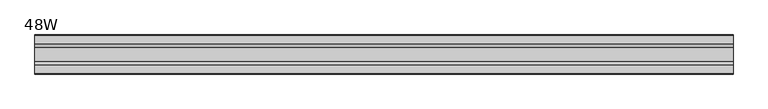
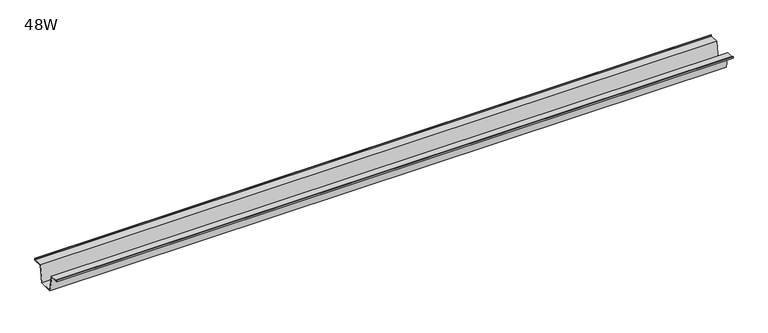
"""IFC4 building model written with IfcOpenShell, lengths in millimetres: furniture geometry, 48W."""

import ifcopenshell
import ifcopenshell.guid

model = None  # the IFC model being written
_history = None  # IfcOwnerHistory: only IFC2X3 demands one
_inside = {}  # id of a spatial element -> (the spatial element, [elements in it])
_under = {}  # id of a project, library or spatial element -> (it, [spatial elements below it])
_declared = {}  # id of a project -> (the project, [libraries it declares])
_typed = {}  # id of a type object -> (the type object, [elements of that type])
_made_of = {}  # id of a material, layer set ... -> (it, [elements and type objects made of it])


def new_model(schema):
    """Start an empty IFC model of exactly this schema.

    Asked for "IFC4X3", IfcOpenShell would pick the latest addendum, in which some entities
    have other attributes; the version numbers below select the first issue.
    IFC2X3 requires an IfcOwnerHistory on every rooted entity: one is made here for all.
    """
    global model, _history
    if schema == "IFC4X3":
        model = ifcopenshell.file(schema_version=(4, 3, 0, 0))
    else:
        model = ifcopenshell.file(schema=schema)
    _inside.clear()
    _under.clear()
    _declared.clear()
    _typed.clear()
    _made_of.clear()
    _history = None
    if model.schema == "IFC2X3":
        org = make("IfcOrganization", Name="unknown")
        user = make(
            "IfcPersonAndOrganization",
            ThePerson=make("IfcPerson", FamilyName="unknown"),
            TheOrganization=org,
        )
        app = make(
            "IfcApplication",
            ApplicationDeveloper=org,
            Version="unknown",
            ApplicationFullName="unknown",
            ApplicationIdentifier="unknown",
        )
        _history = make(
            "IfcOwnerHistory",
            OwningUser=user,
            OwningApplication=app,
            ChangeAction="ADDED",
            CreationDate=0,
        )
    return model


def make(cls, **values):
    """One entity of the class cls with the attributes given. An attribute that is None is left unset."""
    return model.create_entity(
        cls, **{name: value for name, value in values.items() if value is not None}
    )


def rooted(cls, **values):
    """An entity with a GlobalId (a new one), such as an element, a storey or a relation."""
    return make(cls, GlobalId=ifcopenshell.guid.new(), OwnerHistory=_history, **values)


def si_unit(unit_type, name, prefix=None):
    """IfcSIUnit, for example si_unit("LENGTHUNIT", "METRE", prefix="MILLI")."""
    return make("IfcSIUnit", UnitType=unit_type, Prefix=prefix, Name=name)


def assignment(units):
    """IfcUnitAssignment: the units of a project."""
    return None if units is None else make("IfcUnitAssignment", Units=units)


def point(xyz):
    """IfcCartesianPoint."""
    return None if xyz is None else make("IfcCartesianPoint", Coordinates=xyz)


def direction(xyz):
    """IfcDirection."""
    return None if xyz is None else make("IfcDirection", DirectionRatios=xyz)


def frame(location, z_axis=None, x_axis=None):
    """IfcAxis2Placement3D, a coordinate frame: its origin and axes. An axis left out is left unset."""
    return make(
        "IfcAxis2Placement3D",
        Location=point(location),
        Axis=direction(z_axis),
        RefDirection=direction(x_axis),
    )


def origin():
    """The frame at (0, 0, 0) with its axes left unset."""
    return frame((0.0, 0.0, 0.0))


def place(relative_to, where):
    """IfcLocalPlacement: puts the frame where relative to a parent placement (None: the world)."""
    return make(
        "IfcLocalPlacement", PlacementRelTo=relative_to, RelativePlacement=where
    )


def context(
    kind, dimensions, precision=None, world=None, true_north=None, identifier=None
):
    """IfcGeometricRepresentationContext, for example the 3D "Model" context."""
    return make(
        "IfcGeometricRepresentationContext",
        ContextIdentifier=identifier,
        ContextType=kind,
        CoordinateSpaceDimension=dimensions,
        Precision=precision,
        WorldCoordinateSystem=world,
        TrueNorth=true_north,
    )


def project(units=None, contexts=None):
    """IfcProject with its units and contexts."""
    return rooted(
        "IfcProject",
        Name="project",
        RepresentationContexts=contexts,
        UnitsInContext=assignment(units),
    )


def spatial(cls, under=None, at=None, **own):
    """A site, building, storey or space (cls), placed at a placement, below another one or the project."""
    s = rooted(cls, ObjectPlacement=at, **own)
    if under is not None:
        _under.setdefault(under.id(), (under, []))[1].append(s)
    return s


def polyline(points):
    """IfcPolyline through the points."""
    return make("IfcPolyline", Points=[point(p) for p in points])


def outline(outer, holes=None, kind="AREA"):
    """IfcArbitraryClosedProfileDef: a profile drawn as a closed curve; with holes, ...WithVoids."""
    if holes is None:
        return make("IfcArbitraryClosedProfileDef", ProfileType=kind, OuterCurve=outer)
    return make(
        "IfcArbitraryProfileDefWithVoids",
        ProfileType=kind,
        OuterCurve=outer,
        InnerCurves=holes,
    )


def extrude(swept, where, along, depth):
    """IfcExtrudedAreaSolid: the profile swept, set in the frame where, extruded along a direction by depth."""
    return make(
        "IfcExtrudedAreaSolid",
        SweptArea=swept,
        Position=where,
        ExtrudedDirection=direction(along),
        Depth=depth,
    )


def shape(context_of_items, identifier, shape_type, items):
    """IfcShapeRepresentation: the items that make up one representation, for example the "Body"."""
    return make(
        "IfcShapeRepresentation",
        ContextOfItems=context_of_items,
        RepresentationIdentifier=identifier,
        RepresentationType=shape_type,
        Items=items,
    )


def source(mapping_origin, context_of_items, identifier, shape_type, items):
    """IfcRepresentationMap: a shape defined once, which mapped items show again and again."""
    return make(
        "IfcRepresentationMap",
        MappingOrigin=mapping_origin,
        MappedRepresentation=shape(context_of_items, identifier, shape_type, items),
    )


def transform(
    local_origin,
    x_axis=None,
    y_axis=None,
    z_axis=None,
    scale=None,
    scale2=None,
    scale3=None,
    uniform=True,
):
    """IfcCartesianTransformationOperator3D, or its non-uniform kind. x_axis, y_axis, z_axis: its Axis1, 2, 3."""
    if uniform:
        return make(
            "IfcCartesianTransformationOperator3D",
            Axis1=direction(x_axis),
            Axis2=direction(y_axis),
            LocalOrigin=point(local_origin),
            Scale=scale,
            Axis3=direction(z_axis),
        )
    return make(
        "IfcCartesianTransformationOperator3DnonUniform",
        Axis1=direction(x_axis),
        Axis2=direction(y_axis),
        LocalOrigin=point(local_origin),
        Scale=scale,
        Axis3=direction(z_axis),
        Scale2=scale2,
        Scale3=scale3,
    )


def mapped(mapping_source, mapping_target):
    """IfcMappedItem: shows the shape of a source again, moved by a transform."""
    return make(
        "IfcMappedItem", MappingSource=mapping_source, MappingTarget=mapping_target
    )


def made_of(thing, what):
    """Note that an element or type object is made of a material, layer set ...; save() writes the relation."""
    if what is not None:
        _made_of.setdefault(what.id(), (what, []))[1].append(thing)
    return thing


def element(
    cls,
    number,
    at=None,
    inside=None,
    cuts=None,
    type_object=None,
    material=None,
    context=None,
    identifier="Body",
    shape_type=None,
    held_by="IfcProductDefinitionShape",
    body=None,
    shapes=None,
    **own,
):
    """One element of the class cls, such as IfcWall. Its Tag is "e" and its number.

    at: its placement. inside: the storey or other place that contains it. cuts: it is an
    opening in that element (IfcRelVoidsElement). A single representation is given by context,
    identifier, shape_type and body (its items); several are given by shapes. held_by: the class
    of the entity that holds the representations. save() writes the other relations.
    """
    e = rooted(cls, Tag="e%d" % number, ObjectPlacement=at, **own)
    if body is not None:
        shapes = [shape(context, identifier, shape_type, body)]
    if shapes is not None:
        e.Representation = make(held_by, Representations=shapes)
    if inside is not None:
        _inside.setdefault(inside.id(), (inside, []))[1].append(e)
    if cuts is not None:
        rooted(
            "IfcRelVoidsElement", RelatingBuildingElement=cuts, RelatedOpeningElement=e
        )
    if type_object is not None:
        _typed.setdefault(type_object.id(), (type_object, []))[1].append(e)
    return made_of(e, material)


def aggregate(whole, parts):
    """IfcRelAggregates: a whole, such as a stair, and the parts it consists of."""
    return rooted("IfcRelAggregates", RelatingObject=whole, RelatedObjects=parts)


def save(model, path):
    """Write the relations noted so far, then the file.

    IfcRelAggregates (storeys below a building ...), IfcRelContainedInSpatialStructure (elements
    in a storey), IfcRelDefinesByType, IfcRelAssociatesMaterial and IfcRelDeclares: one each for
    every whole, place, type object, material and project.
    """
    for whole, parts in _under.values():
        aggregate(whole, parts)
    for where, things in _inside.values():
        rooted(
            "IfcRelContainedInSpatialStructure",
            RelatedElements=things,
            RelatingStructure=where,
        )
    for kind, things in _typed.values():
        rooted("IfcRelDefinesByType", RelatedObjects=things, RelatingType=kind)
    for what, things in _made_of.values():
        rooted("IfcRelAssociatesMaterial", RelatedObjects=things, RelatingMaterial=what)
    for by, libraries in _declared.values():
        rooted("IfcRelDeclares", RelatingContext=by, RelatedDefinitions=libraries)
    model.write(path)


def furniture_48w_7bebf22a(model_context):
    return source(origin(), model_context, "Body", "SweptSolid", [
        extrude(outline(polyline([(-22.9397721, 949.325), (-28.502372, 919.0990007), (-53.9023728, 919.0990007), (-59.4649727, 949.325), (-75.3653716, 949.325), (-75.3653716, 952.5), (-74.5716216, 952.5), (-74.5716216, 950.11875), (-58.8172994, 950.11875), (-53.2546995, 919.8927507), (-29.1500453, 919.8927507), (-23.5874454, 950.11875), (-7.8331232, 950.11875), (-7.8331232, 952.5), (-7.0393732, 952.5), (-7.0393732, 949.325), (-22.9397721, 949.325)])), frame((-609.6, 0.0, 0.0), z_axis=(1.0, 0.0, 0.0), x_axis=(0.0, 1.0, 0.0)), (0.0, 0.0, 1.0), 1219.2),
    ])


if __name__ == "__main__":
    model = new_model("IFC4")
    model_context = context("Model", 3, world=origin())
    ifc_project = project(units=[si_unit("LENGTHUNIT", "METRE", prefix="MILLI")], contexts=[model_context])
    site = spatial("IfcSite", under=ifc_project)
    building = spatial("IfcBuilding", under=site)
    placement = place(None, origin())
    furniture_48w_shape = furniture_48w_7bebf22a(model_context)
    element("IfcFurniture", 1, ObjectType="48W", at=placement, inside=building, context=model_context, shape_type="MappedRepresentation", body=[
        mapped(furniture_48w_shape, transform((0.0, 0.0, 0.0), x_axis=(1.0, 0.0, 0.0), y_axis=(0.0, 1.0, 0.0), z_axis=(0.0, 0.0, 1.0))),
    ])
    save(model, "model.ifc")
